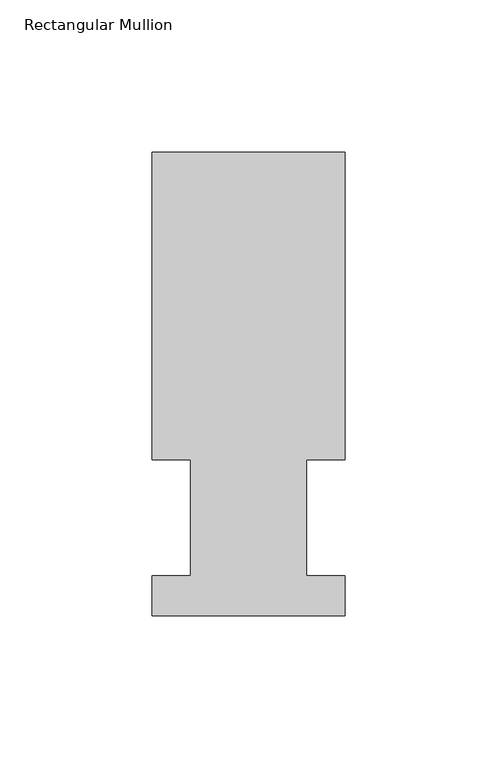
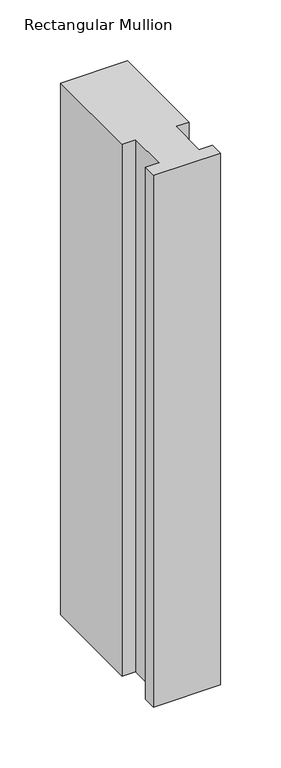
"""IFC4 building model written with IfcOpenShell, lengths in millimetres: member geometry, Rectangular Mullion."""

from ifc_helpers import new_model, si_unit, frame, origin, place, context, project, spatial, polyline, outline, extrude, source, transform, mapped, element, save


def rectangular_mullion_2f8f6638(model_context):
    return source(origin(), model_context, "Body", "SweptSolid", [
        extrude(outline(polyline([(-63.5, 152.4896937), (-3e-07, 152.4831645), (-0.0104046, 51.2960937), (-12.6977047, 51.2960937), (-12.7016222, 13.1960938), (-0.0143221, 13.1960938), (-0.0156783, 0.0069653), (-63.5156779, 0.0134946), (-63.5143225, 13.1960938), (-50.8143224, 13.1960938), (-50.8104049, 51.2960937), (-63.510405, 51.2960937), (-63.5, 152.4896937)])), frame((0.0, 0.0, -533.4134931), z_axis=(0.0, 0.0, 1.0), x_axis=(1.0, 0.0, 0.0)), (0.0, 0.0, 1.0), 533.4134931),
    ])


if __name__ == "__main__":
    model = new_model("IFC4")
    model_context = context("Model", 3, world=origin())
    ifc_project = project(units=[si_unit("LENGTHUNIT", "METRE", prefix="MILLI")], contexts=[model_context])
    site = spatial("IfcSite", under=ifc_project)
    building = spatial("IfcBuilding", under=site)
    placement = place(None, origin())
    rectangular_mullion_shape = rectangular_mullion_2f8f6638(model_context)
    element("IfcMember", 1, ObjectType="Rectangular Mullion", at=placement, inside=building, context=model_context, shape_type="MappedRepresentation", body=[
        mapped(rectangular_mullion_shape, transform((0.0, 0.0, 0.0), x_axis=(1.0, 0.0, 0.0), y_axis=(0.0, 1.0, 0.0), z_axis=(0.0, 0.0, 1.0))),
    ])
    save(model, "model.ifc")
